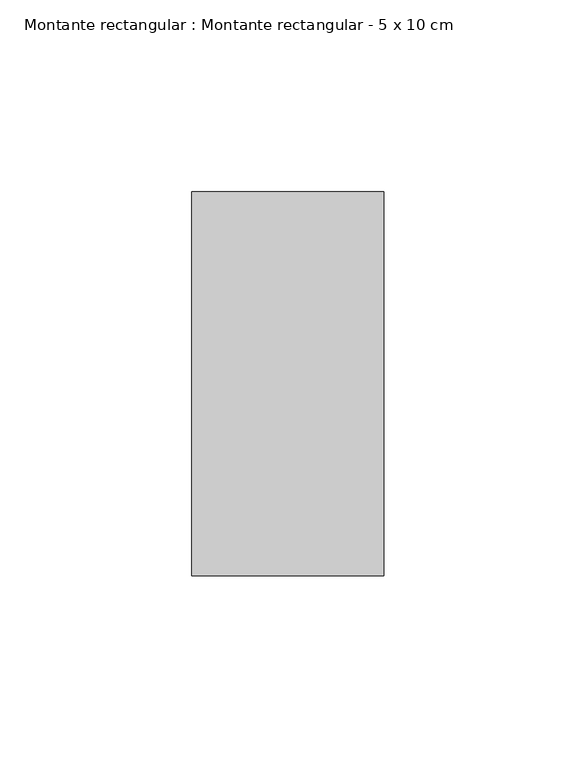
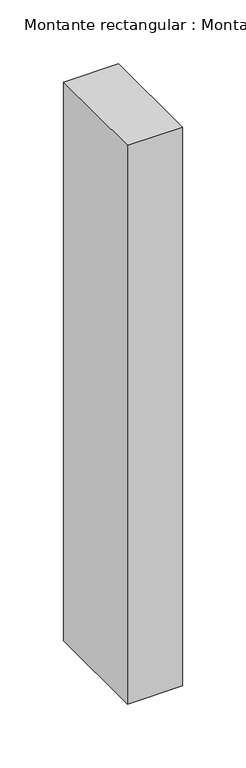
"""IFC4 building model written with IfcOpenShell, lengths in millimetres: member geometry, Montante rectangular : Montante rectangular - 5 x 10 cm."""

from ifc_helpers import new_model, si_unit, frame, origin, place, context, project, spatial, polyline, outline, extrude, source, transform, mapped, element, save


def montante_rectangular_montante_rectangular_5_x_10_cm_71700b1d(model_context):
    return source(origin(), model_context, "Body", "SweptSolid", [
        extrude(outline(polyline([(0.0, 50.0), (0.0, -50.0), (-50.0, -50.0), (-50.0, 50.0), (0.0, 50.0)])), frame((0.0, 0.0, -535.0), z_axis=(0.0, 0.0, 1.0), x_axis=(1.0, 0.0, 0.0)), (0.0, 0.0, 1.0), 535.0),
    ])


if __name__ == "__main__":
    model = new_model("IFC4")
    model_context = context("Model", 3, world=origin())
    ifc_project = project(units=[si_unit("LENGTHUNIT", "METRE", prefix="MILLI")], contexts=[model_context])
    site = spatial("IfcSite", under=ifc_project)
    building = spatial("IfcBuilding", under=site)
    placement = place(None, origin())
    montante_rectangular_montante_rectangular_5_x_10_cm_shape = montante_rectangular_montante_rectangular_5_x_10_cm_71700b1d(model_context)
    element("IfcMember", 1, ObjectType="Montante rectangular : Montante rectangular - 5 x 10 cm", at=placement, inside=building, context=model_context, shape_type="MappedRepresentation", body=[
        mapped(montante_rectangular_montante_rectangular_5_x_10_cm_shape, transform((0.0, 0.0, 0.0), x_axis=(1.0, 0.0, 0.0), y_axis=(0.0, 1.0, 0.0), z_axis=(0.0, 0.0, 1.0))),
    ])
    save(model, "model.ifc")
